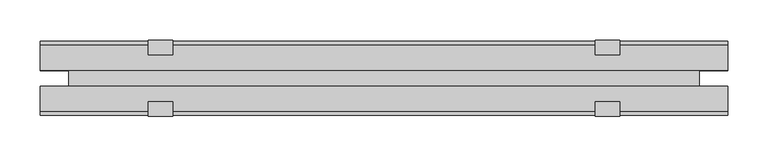
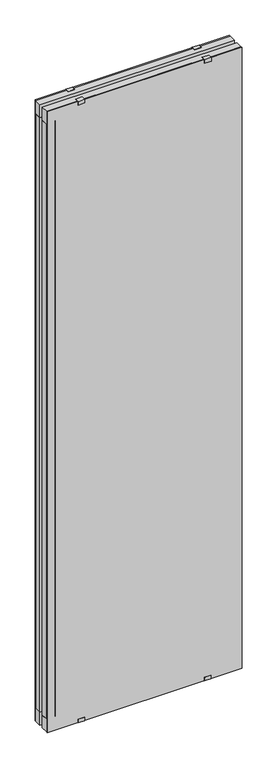
"""IFC4 building model written with IfcOpenShell, lengths in millimetres: plate geometry."""

from ifc_helpers import new_model, si_unit, frame, origin, origin_with_axes, place, context, project, spatial, polyline, outline, extrude, source, transform, mapped, element, save


def plate_65b9b691(model_context):
    return source(origin(), model_context, "Body", "SweptSolid", [
        extrude(outline(polyline([(428.3847577, -10.0), (428.3847577, -41.0), (-428.3847577, -41.0), (-428.3847577, -10.0), (428.3847577, -10.0)])), origin_with_axes(), (0.0, 0.0, 1.0), 60.0),
        extrude(outline(polyline([(428.3847577, 41.0), (428.3847577, 10.0), (-428.3847577, 10.0), (-428.3847577, 41.0), (428.3847577, 41.0)])), origin_with_axes(), (0.0, 0.0, 1.0), 60.0),
        extrude(outline(polyline([(428.3847577, -10.0), (428.3847577, -41.0), (-428.3847577, -41.0), (-428.3847577, -10.0), (428.3847577, -10.0)])), frame((0.0, 0.0, 2825.0), z_axis=(0.0, 0.0, 1.0), x_axis=(1.0, 0.0, 0.0)), (0.0, 0.0, 1.0), 60.0),
        extrude(outline(polyline([(428.3847577, 41.0), (428.3847577, 10.0), (-428.3847577, 10.0), (-428.3847577, 41.0), (428.3847577, 41.0)])), frame((0.0, 0.0, 2825.0), z_axis=(0.0, 0.0, 1.0), x_axis=(1.0, 0.0, 0.0)), (0.0, 0.0, 1.0), 60.0),
        extrude(outline(polyline([(392.8847577, -10.0), (-392.8847577, -10.0), (-392.8847577, 10.0), (392.8847577, 10.0), (392.8847577, -10.0)])), frame((0.0, 0.0, 28.0), z_axis=(0.0, 0.0, 1.0), x_axis=(1.0, 0.0, 0.0)), (0.0, 0.0, 1.0), 2829.0),
        extrude(outline(polyline([(428.3847577, 41.0), (-428.3847577, 41.0), (-428.3847577, 46.0), (428.3847577, 46.0), (428.3847577, 41.0)])), origin_with_axes(), (0.0, 0.0, 1.0), 2885.0),
        extrude(outline(polyline([(-428.3847577, -46.0), (-428.3847577, -41.0), (428.3847577, -41.0), (428.3847577, -46.0), (-428.3847577, -46.0)])), origin_with_axes(), (0.0, 0.0, 1.0), 2885.0),
        extrude(outline(polyline([(368.6216851, -10.0), (428.3847577, -10.0), (428.3847577, -41.0), (389.128092, -41.0), (368.6216851, -13.4129412), (368.6216851, -10.0)])), frame((0.0, 0.0, 60.0), z_axis=(0.0, 0.0, 1.0), x_axis=(1.0, 0.0, 0.0)), (0.0, 0.0, 1.0), 2765.0),
        extrude(outline(polyline([(368.6216851, 10.0), (368.6216851, 13.4129412), (389.128092, 41.0), (428.3847577, 41.0), (428.3847577, 10.0), (368.6216851, 10.0)])), frame((0.0, 0.0, 60.0), z_axis=(0.0, 0.0, 1.0), x_axis=(1.0, 0.0, 0.0)), (0.0, 0.0, 1.0), 2765.0),
        extrude(outline(polyline([(-368.6216851, -10.0), (-368.6216851, -13.4129412), (-389.128092, -41.0), (-428.3847577, -41.0), (-428.3847577, -10.0), (-368.6216851, -10.0)])), frame((0.0, 0.0, 60.0), z_axis=(0.0, 0.0, 1.0), x_axis=(1.0, 0.0, 0.0)), (0.0, 0.0, 1.0), 2765.0),
        extrude(outline(polyline([(-368.6216851, 10.0), (-428.3847577, 10.0), (-428.3847577, 41.0), (-389.128092, 41.0), (-368.6216851, 13.4129412), (-368.6216851, 10.0)])), frame((0.0, 0.0, 60.0), z_axis=(0.0, 0.0, 1.0), x_axis=(1.0, 0.0, 0.0)), (0.0, 0.0, 1.0), 2765.0),
        extrude(outline(polyline([(-47.5, 2886.5), (-29.0, 2886.5), (-29.0, 2885.0), (-46.0, 2885.0), (-46.0, 2870.0), (-47.5, 2870.0), (-47.5, 2886.5)])), frame((-293.3847577, 0.0, 0.0), z_axis=(1.0, 0.0, 0.0), x_axis=(0.0, 1.0, 0.0)), (0.0, 0.0, 1.0), 30.0),
        extrude(outline(polyline([(47.5, 2870.0), (46.0, 2870.0), (46.0, 2885.0), (29.0, 2885.0), (29.0, 2886.5), (47.5, 2886.5), (47.5, 2870.0)])), frame((-293.3847577, 0.0, 0.0), z_axis=(1.0, 0.0, 0.0), x_axis=(0.0, 1.0, 0.0)), (0.0, 0.0, 1.0), 30.0),
        extrude(outline(polyline([(-47.1, 15.0), (-46.0, 15.0), (-46.0, 0.0), (-31.0, 0.0), (-31.0, -1.2), (-47.1, -1.2), (-47.1, 15.0)])), frame((-293.3847577, 0.0, 0.0), z_axis=(1.0, 0.0, 0.0), x_axis=(0.0, 1.0, 0.0)), (0.0, 0.0, 1.0), 30.0),
        extrude(outline(polyline([(47.1, -1.2), (31.0, -1.2), (31.0, 0.0), (46.0, 0.0), (46.0, 15.0), (47.1, 15.0), (47.1, -1.2)])), frame((-293.3847577, 0.0, 0.0), z_axis=(1.0, 0.0, 0.0), x_axis=(0.0, 1.0, 0.0)), (0.0, 0.0, 1.0), 30.0),
        extrude(outline(polyline([(-47.5, 2886.5), (-29.0, 2886.5), (-29.0, 2885.0), (-46.0, 2885.0), (-46.0, 2870.0), (-47.5, 2870.0), (-47.5, 2886.5)])), frame((263.3847577, 0.0, 0.0), z_axis=(1.0, 0.0, 0.0), x_axis=(0.0, 1.0, 0.0)), (0.0, 0.0, 1.0), 30.0),
        extrude(outline(polyline([(29.0, 2886.5), (47.5, 2886.5), (47.5, 2870.0), (46.0, 2870.0), (46.0, 2885.0), (29.0, 2885.0), (29.0, 2886.5)])), frame((263.3847577, 0.0, 0.0), z_axis=(1.0, 0.0, 0.0), x_axis=(0.0, 1.0, 0.0)), (0.0, 0.0, 1.0), 30.0),
        extrude(outline(polyline([(-47.1, 15.0), (-46.0, 15.0), (-46.0, 0.0), (-31.0, 0.0), (-31.0, -1.2), (-47.1, -1.2), (-47.1, 15.0)])), frame((263.3847577, 0.0, 0.0), z_axis=(1.0, 0.0, 0.0), x_axis=(0.0, 1.0, 0.0)), (0.0, 0.0, 1.0), 30.0),
        extrude(outline(polyline([(47.1, -1.2), (31.0, -1.2), (31.0, 0.0), (46.0, 0.0), (46.0, 15.0), (47.1, 15.0), (47.1, -1.2)])), frame((263.3847577, 0.0, 0.0), z_axis=(1.0, 0.0, 0.0), x_axis=(0.0, 1.0, 0.0)), (0.0, 0.0, 1.0), 30.0),
    ])


if __name__ == "__main__":
    model = new_model("IFC4")
    model_context = context("Model", 3, world=origin())
    ifc_project = project(units=[si_unit("LENGTHUNIT", "METRE", prefix="MILLI")], contexts=[model_context])
    site = spatial("IfcSite", under=ifc_project)
    building = spatial("IfcBuilding", under=site)
    placement = place(None, origin())
    plate_shape = plate_65b9b691(model_context)
    element("IfcPlate", 1, at=placement, inside=building, context=model_context, shape_type="MappedRepresentation", body=[
        mapped(plate_shape, transform((0.0, 0.0, 0.0), x_axis=(1.0, 0.0, 0.0), y_axis=(0.0, 1.0, 0.0), z_axis=(0.0, 0.0, 1.0))),
    ])
    save(model, "model.ifc")
